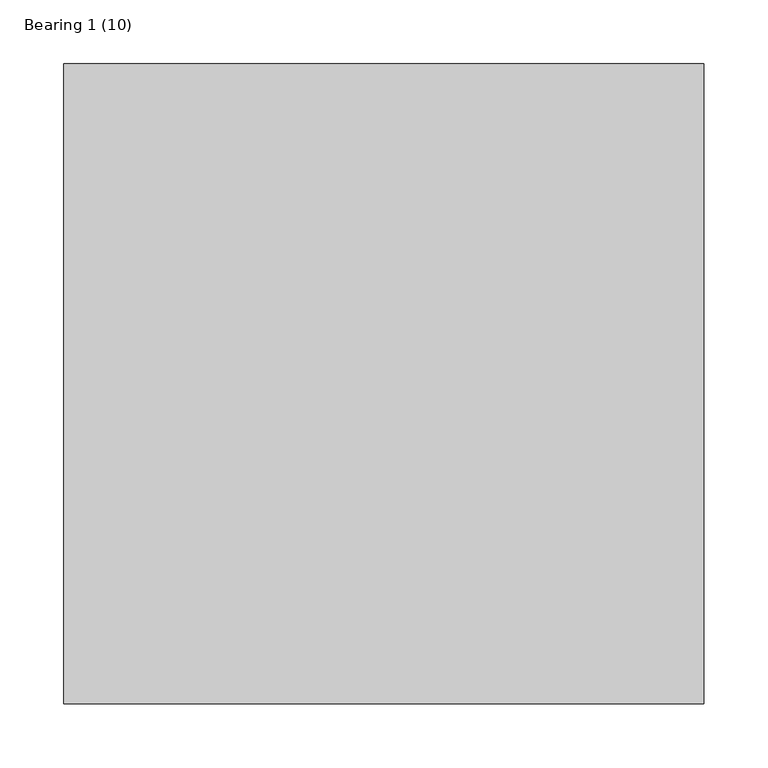
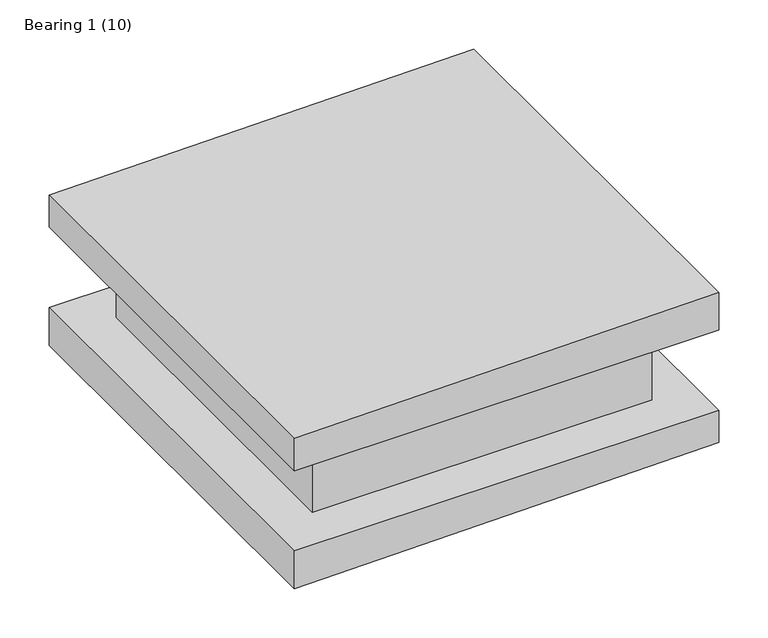
"""IFC4 building model written with IfcOpenShell, lengths in millimetres: proxy geometry, Bearing 1 (10)."""

from ifc_helpers import new_model, si_unit, frame, origin, place, context, project, spatial, polyline, outline, extrude, source, transform, mapped, element, save


def bearing_1_10_987d91bd(model_context):
    return source(origin(), model_context, "Body", "SweptSolid", [
        extrude(outline(polyline([(143.530163, -250.0), (143.530163, 250.0), (190.590489, 250.0), (183.530163, -250.0), (143.530163, -250.0)])), frame((0.0, -250.0, 0.0), z_axis=(0.0, 1.0, 0.0), x_axis=(0.0, 0.0, 1.0)), (0.0, 0.0, 1.0), 500.0),
        extrude(outline(polyline([(-3.530163, -250.0), (3.530163, 250.0), (43.530163, 250.0), (43.530163, -250.0), (-3.530163, -250.0)])), frame((0.0, -250.0, 0.0), z_axis=(0.0, 1.0, 0.0), x_axis=(0.0, 0.0, 1.0)), (0.0, 0.0, 1.0), 500.0),
        extrude(outline(polyline([(200.0, -200.0), (-200.0, -200.0), (-200.0, 200.0), (200.0, 200.0), (200.0, -200.0)])), frame((0.0, 0.0, 43.530163), z_axis=(0.0, 0.0, 1.0), x_axis=(1.0, 0.0, 0.0)), (0.0, 0.0, 1.0), 100.0),
    ])


if __name__ == "__main__":
    model = new_model("IFC4")
    model_context = context("Model", 3, world=origin())
    ifc_project = project(units=[si_unit("LENGTHUNIT", "METRE", prefix="MILLI")], contexts=[model_context])
    site = spatial("IfcSite", under=ifc_project)
    building = spatial("IfcBuilding", under=site)
    placement = place(None, origin())
    bearing_1_10_shape = bearing_1_10_987d91bd(model_context)
    element("IfcBuildingElementProxy", 1, Name="Bearing 1 (10)", ObjectType="Bearing 1 (10)", at=placement, inside=building, context=model_context, shape_type="MappedRepresentation", body=[
        mapped(bearing_1_10_shape, transform((0.0, 0.0, 0.0), x_axis=(1.0, 0.0, 0.0), y_axis=(0.0, 1.0, 0.0), z_axis=(0.0, 0.0, 1.0))),
    ])
    save(model, "model.ifc")
